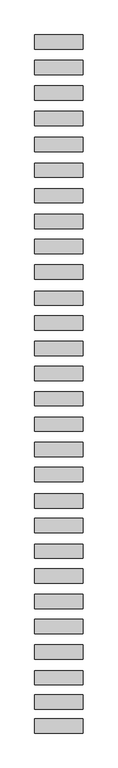
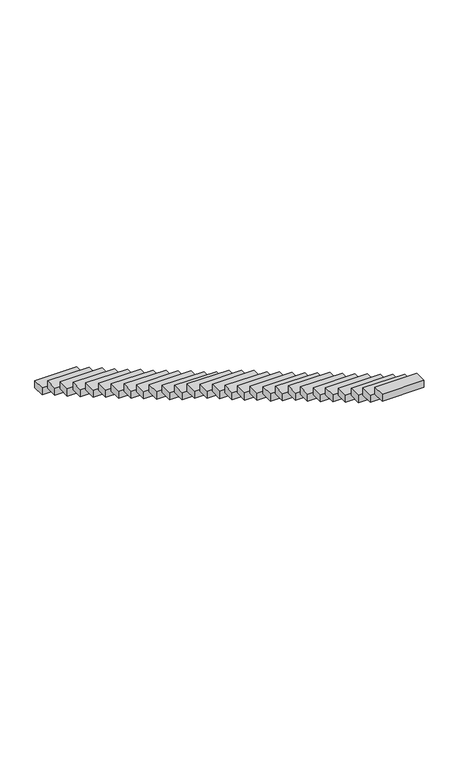
"""IFC4 building model written with IfcOpenShell, lengths in millimetres: proxy geometry."""

from ifc_helpers import new_model, si_unit, frame, origin, place, context, project, spatial, polyline, outline, extrude, source, transform, mapped, element, save


def generic_models_4ee209ee(model_context):
    return source(origin(), model_context, "Body", "SweptSolid", [
        extrude(outline(polyline([(-640.0, -7172.2030697), (-640.0, -6792.2030697), (640.0, -6792.2030697), (640.0, -7172.2030697), (-640.0, -7172.2030697)])), frame((0.0, 0.0, 4365.9298983), z_axis=(0.0, 0.0, 1.0), x_axis=(1.0, 0.0, 0.0)), (0.0, 0.0, 1.0), 230.0),
        extrude(outline(polyline([(-640.0, -6538.6960384), (-640.0, -6158.6960384), (640.0, -6158.6960384), (640.0, -6538.6960384), (-640.0, -6538.6960384)])), frame((0.0, 0.0, 3954.7370053), z_axis=(0.0, 0.0, 1.0), x_axis=(1.0, 0.0, 0.0)), (0.0, 0.0, 1.0), 230.0),
        extrude(outline(polyline([(-640.0, -5903.5185379), (-640.0, -5523.5185379), (640.0, -5523.5185379), (640.0, -5903.5185379), (-640.0, -5903.5185379)])), frame((0.0, 0.0, 3555.6788476), z_axis=(0.0, 0.0, 1.0), x_axis=(1.0, 0.0, 0.0)), (0.0, 0.0, 1.0), 230.0),
        extrude(outline(polyline([(-640.0, -5225.6624552), (-640.0, -4845.6624552), (640.0, -4845.6624552), (640.0, -5225.6624552), (-640.0, -5225.6624552)])), frame((0.0, 0.0, 3153.0248958), z_axis=(0.0, 0.0, 1.0), x_axis=(1.0, 0.0, 0.0)), (0.0, 0.0, 1.0), 230.0),
        extrude(outline(polyline([(-640.0, -4547.863216), (-640.0, -4167.863216), (640.0, -4167.863216), (640.0, -4547.863216), (-640.0, -4547.863216)])), frame((0.0, 0.0, 2759.2102479), z_axis=(0.0, 0.0, 1.0), x_axis=(1.0, 0.0, 0.0)), (0.0, 0.0, 1.0), 230.0),
        extrude(outline(polyline([(-640.0, -3895.2506383), (-640.0, -3515.2506383), (640.0, -3515.2506383), (640.0, -3895.2506383), (-640.0, -3895.2506383)])), frame((0.0, 0.0, 2363.4475216), z_axis=(0.0, 0.0, 1.0), x_axis=(1.0, 0.0, 0.0)), (0.0, 0.0, 1.0), 230.0),
        extrude(outline(polyline([(-640.0, -3218.4254282), (-640.0, -2838.4254282), (640.0, -2838.4254282), (640.0, -3218.4254282), (-640.0, -3218.4254282)])), frame((0.0, 0.0, 1973.4153248), z_axis=(0.0, 0.0, 1.0), x_axis=(1.0, 0.0, 0.0)), (0.0, 0.0, 1.0), 230.0),
        extrude(outline(polyline([(-640.0, -2566.2998696), (-640.0, -2186.2998696), (640.0, -2186.2998696), (640.0, -2566.2998696), (-640.0, -2566.2998696)])), frame((0.0, 0.0, 1610.5178632), z_axis=(0.0, 0.0, 1.0), x_axis=(1.0, 0.0, 0.0)), (0.0, 0.0, 1.0), 230.0),
        extrude(outline(polyline([(-640.0, -1886.6093975), (-640.0, -1506.6093975), (640.0, -1506.6093975), (640.0, -1886.6093975), (-640.0, -1886.6093975)])), frame((0.0, 0.0, 1183.107895), z_axis=(0.0, 0.0, 1.0), x_axis=(1.0, 0.0, 0.0)), (0.0, 0.0, 1.0), 230.0),
        extrude(outline(polyline([(-640.0, -1239.2403247), (-640.0, -859.2403247), (640.0, -859.2403247), (640.0, -1239.2403247), (-640.0, -1239.2403247)])), frame((0.0, 0.0, 776.6710184), z_axis=(0.0, 0.0, 1.0), x_axis=(1.0, 0.0, 0.0)), (0.0, 0.0, 1.0), 230.0),
        extrude(outline(polyline([(-640.0, -540.5239093), (-640.0, -160.5239093), (640.0, -160.5239093), (640.0, -540.5239093), (-640.0, -540.5239093)])), frame((0.0, 0.0, 377.6128607), z_axis=(0.0, 0.0, 1.0), x_axis=(1.0, 0.0, 0.0)), (0.0, 0.0, 1.0), 230.0),
        extrude(outline(polyline([(-640.0, 118.7363965), (-640.0, 498.7363965), (640.0, 498.7363965), (640.0, 118.7363965), (-640.0, 118.7363965)])), frame((0.0, 0.0, -12.4193362), z_axis=(0.0, 0.0, 1.0), x_axis=(1.0, 0.0, 0.0)), (0.0, 0.0, 1.0), 230.0),
        extrude(outline(polyline([(-640.0, 786.0486073), (-640.0, 1166.0486073), (640.0, 1166.0486073), (640.0, 786.0486073), (-640.0, 786.0486073)])), frame((0.0, 0.0, -407.2080233), z_axis=(0.0, 0.0, 1.0), x_axis=(1.0, 0.0, 0.0)), (0.0, 0.0, 1.0), 230.0),
        extrude(outline(polyline([(-640.0, 1457.6871652), (-640.0, 1837.6871652), (640.0, 1837.6871652), (640.0, 1457.6871652), (-640.0, 1457.6871652)])), frame((0.0, 0.0, -777.7272397), z_axis=(0.0, 0.0, 1.0), x_axis=(1.0, 0.0, 0.0)), (0.0, 0.0, 1.0), 230.0),
        extrude(outline(polyline([(-640.0, 2120.2428902), (-640.0, 2500.2428902), (640.0, 2500.2428902), (640.0, 2120.2428902), (-640.0, 2120.2428902)])), frame((0.0, 0.0, -1169.6506621), z_axis=(0.0, 0.0, 1.0), x_axis=(1.0, 0.0, 0.0)), (0.0, 0.0, 1.0), 230.0),
        extrude(outline(polyline([(-640.0, 2784.7467009), (-640.0, 3164.7467009), (640.0, 3164.7467009), (640.0, 2784.7467009), (-640.0, 2784.7467009)])), frame((0.0, 0.0, -1569.682859), z_axis=(0.0, 0.0, 1.0), x_axis=(1.0, 0.0, 0.0)), (0.0, 0.0, 1.0), 230.0),
        extrude(outline(polyline([(-640.0, 3454.924183), (-640.0, 3834.924183), (640.0, 3834.924183), (640.0, 3454.924183), (-640.0, 3454.924183)])), frame((0.0, 0.0, -2023.0104873), z_axis=(0.0, 0.0, 1.0), x_axis=(1.0, 0.0, 0.0)), (0.0, 0.0, 1.0), 230.0),
        extrude(outline(polyline([(-640.0, 4110.3211483), (-640.0, 4490.3211483), (640.0, 4490.3211483), (640.0, 4110.3211483), (-640.0, 4110.3211483)])), frame((0.0, 0.0, -2420.5146557), z_axis=(0.0, 0.0, 1.0), x_axis=(1.0, 0.0, 0.0)), (0.0, 0.0, 1.0), 230.0),
        extrude(outline(polyline([(-640.0, 4799.0315203), (-640.0, 5179.0315203), (640.0, 5179.0315203), (640.0, 4799.0315203), (-640.0, 4799.0315203)])), frame((0.0, 0.0, -2818.9463701), z_axis=(0.0, 0.0, 1.0), x_axis=(1.0, 0.0, 0.0)), (0.0, 0.0, 1.0), 230.0),
        extrude(outline(polyline([(-640.0, 5478.7863942), (-640.0, 5858.7863942), (640.0, 5858.7863942), (640.0, 5478.7863942), (-640.0, 5478.7863942)])), frame((0.0, 0.0, -3225.3610341), z_axis=(0.0, 0.0, 1.0), x_axis=(1.0, 0.0, 0.0)), (0.0, 0.0, 1.0), 230.0),
        extrude(outline(polyline([(-640.0, 6139.5498015), (-640.0, 6519.5498015), (640.0, 6519.5498015), (640.0, 6139.5498015), (-640.0, 6139.5498015)])), frame((0.0, 0.0, -3604.5825183), z_axis=(0.0, 0.0, 1.0), x_axis=(1.0, 0.0, 0.0)), (0.0, 0.0, 1.0), 230.0),
        extrude(outline(polyline([(-640.0, 6815.708098), (-640.0, 7195.708098), (640.0, 7195.708098), (640.0, 6815.708098), (-640.0, 6815.708098)])), frame((0.0, 0.0, -4013.0142327), z_axis=(0.0, 0.0, 1.0), x_axis=(1.0, 0.0, 0.0)), (0.0, 0.0, 1.0), 230.0),
        extrude(outline(polyline([(-640.0, 7489.2783228), (-640.0, 7869.2783228), (640.0, 7869.2783228), (640.0, 7489.2783228), (-640.0, 7489.2783228)])), frame((0.0, 0.0, -4396.445947), z_axis=(0.0, 0.0, 1.0), x_axis=(1.0, 0.0, 0.0)), (0.0, 0.0, 1.0), 230.0),
        extrude(outline(polyline([(-640.0, 8167.2349219), (-640.0, 8547.2349219), (640.0, 8547.2349219), (640.0, 8167.2349219), (-640.0, 8167.2349219)])), frame((0.0, 0.0, -4799.6589061), z_axis=(0.0, 0.0, 1.0), x_axis=(1.0, 0.0, 0.0)), (0.0, 0.0, 1.0), 230.0),
        extrude(outline(polyline([(-640.0, 8848.7880891), (-640.0, 9228.7880891), (640.0, 9228.7880891), (640.0, 8848.7880891), (-640.0, 8848.7880891)])), frame((0.0, 0.0, -5198.8803903), z_axis=(0.0, 0.0, 1.0), x_axis=(1.0, 0.0, 0.0)), (0.0, 0.0, 1.0), 230.0),
        extrude(outline(polyline([(-640.0, 9521.3497989), (-640.0, 9901.3497989), (640.0, 9901.3497989), (640.0, 9521.3497989), (-640.0, 9521.3497989)])), frame((0.0, 0.0, -5585.1189248), z_axis=(0.0, 0.0, 1.0), x_axis=(1.0, 0.0, 0.0)), (0.0, 0.0, 1.0), 230.0),
        extrude(outline(polyline([(-640.0, 10194.9200422), (-640.0, 10574.9200422), (640.0, 10574.9200422), (640.0, 10194.9200422), (-640.0, 10194.9200422)])), frame((0.0, 0.0, -5966.7523441), z_axis=(0.0, 0.0, 1.0), x_axis=(1.0, 0.0, 0.0)), (0.0, 0.0, 1.0), 230.0),
        extrude(outline(polyline([(-640.0, 10867.4817336), (-640.0, 11247.4817336), (640.0, 11247.4817336), (640.0, 10867.4817336), (-640.0, 10867.4817336)])), frame((0.0, 0.0, -6361.0680416), z_axis=(0.0, 0.0, 1.0), x_axis=(1.0, 0.0, 0.0)), (0.0, 0.0, 1.0), 230.0),
    ])


if __name__ == "__main__":
    model = new_model("IFC4")
    model_context = context("Model", 3, world=origin())
    ifc_project = project(units=[si_unit("LENGTHUNIT", "METRE", prefix="MILLI")], contexts=[model_context])
    site = spatial("IfcSite", under=ifc_project)
    building = spatial("IfcBuilding", under=site)
    placement = place(None, origin())
    generic_models_shape = generic_models_4ee209ee(model_context)
    element("IfcBuildingElementProxy", 1, Name="Generic Models", at=placement, inside=building, context=model_context, shape_type="MappedRepresentation", body=[
        mapped(generic_models_shape, transform((0.0, 0.0, 0.0), x_axis=(1.0, 0.0, 0.0), y_axis=(0.0, 1.0, 0.0), z_axis=(0.0, 0.0, 1.0))),
    ])
    save(model, "model.ifc")
